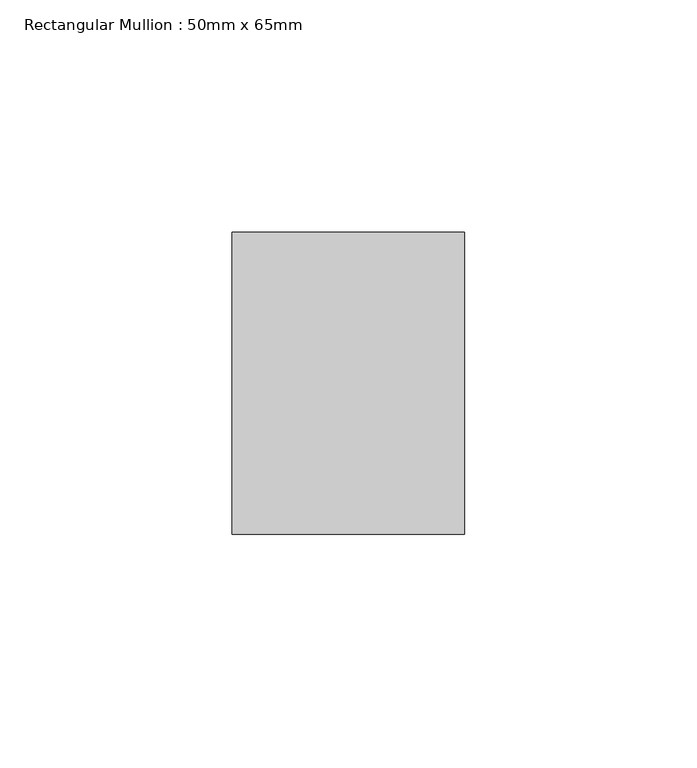
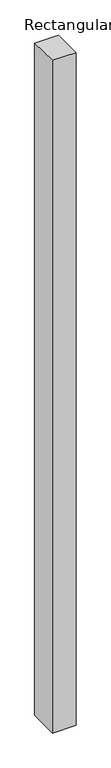
"""IFC4 building model written with IfcOpenShell, lengths in millimetres: member geometry, Rectangular Mullion : 50mm x 65mm."""

from ifc_helpers import new_model, si_unit, origin, place, context, project, spatial, faceted_brep, source, transform, mapped, element, save


def rectangular_mullion_50mm_x_65mm_81b52a22(model_context):
    return source(origin(), model_context, "Body", "Brep", [
        faceted_brep([(-25.0, 32.5, -0.3057241), (25.0, 32.5, -0.3057251), (25.0, 32.5, -1499.7976238), (-25.0, 32.5, -1499.7976244), (-25.0, -32.5, 0.3057251), (-25.0, -32.5, -1500.203102), (25.0, -32.5, 0.3057241), (25.0, -32.5, -1500.2031014)], [[[0, 1, 2, 3]], [[4, 0, 3, 5]], [[6, 4, 5, 7]], [[1, 6, 7, 2]], [[1, 0, 4, 6]], [[2, 7, 5, 3]]]),
    ])


if __name__ == "__main__":
    model = new_model("IFC4")
    model_context = context("Model", 3, world=origin())
    ifc_project = project(units=[si_unit("LENGTHUNIT", "METRE", prefix="MILLI")], contexts=[model_context])
    site = spatial("IfcSite", under=ifc_project)
    building = spatial("IfcBuilding", under=site)
    placement = place(None, origin())
    rectangular_mullion_50mm_x_65mm_shape = rectangular_mullion_50mm_x_65mm_81b52a22(model_context)
    element("IfcMember", 1, ObjectType="Rectangular Mullion : 50mm x 65mm", at=placement, inside=building, context=model_context, shape_type="MappedRepresentation", body=[
        mapped(rectangular_mullion_50mm_x_65mm_shape, transform((0.0, 0.0, 0.0), x_axis=(1.0, 0.0, 0.0), y_axis=(0.0, 1.0, 0.0), z_axis=(0.0, 0.0, 1.0))),
    ])
    save(model, "model.ifc")
